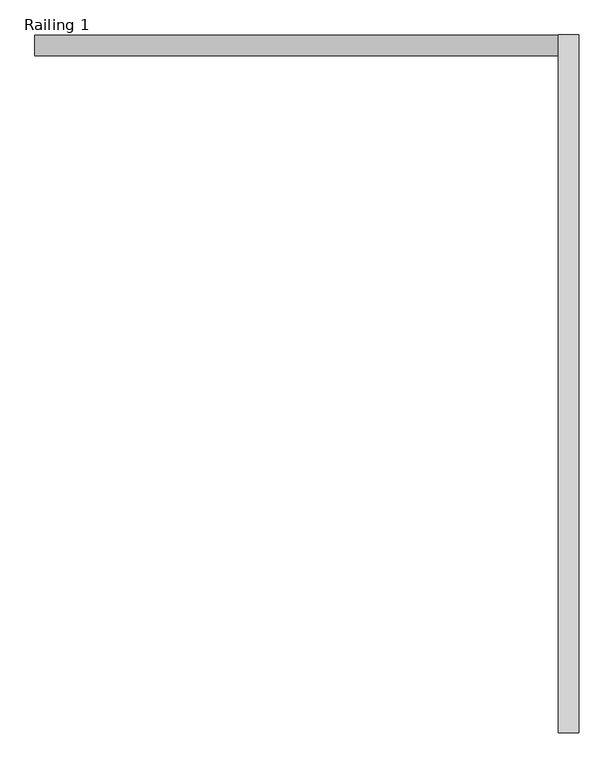
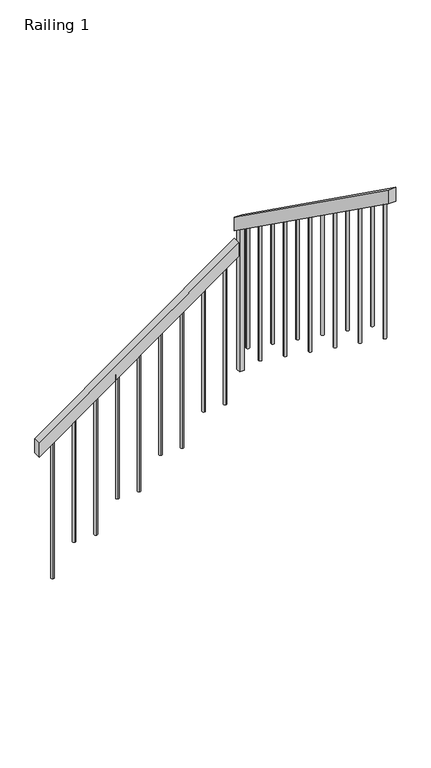
"""IFC4 building model written with IfcOpenShell, lengths in millimetres: railing geometry, Railing 1."""

from ifc_helpers import new_model, si_unit, frame, origin, place, context, project, spatial, polyline, circle_curve, ellipse_curve, outline, extrude, source, transform, mapped, element, save
from ifc_brep_helpers import plane_surface, cylinder_surface, advanced_brep


def railing_1_fb4148f3(model_context):
    return source(origin(), model_context, "Body", "SolidModel", [
        extrude(outline(polyline([(-1428.5714286, 4155.1809005), (-1522.2138836, 4155.1809005), (-597.4995979, 5449.7809005), (-503.8571429, 5449.7809005), (-1428.5714286, 4155.1809005)])), frame((0.0, 942.7591595, 0.0), z_axis=(0.0, 1.0, 0.0), x_axis=(0.0, 0.0, 1.0)), (0.0, 0.0, 1.0), 50.8),
        extrude(outline(polyline([(993.5591595, -361.0), (993.5591595, -454.642455), (-731.8408405, 777.7861164), (-731.8408405, 871.4285714), (993.5591595, -361.0)])), frame((5449.7809005, 0.0, 0.0), z_axis=(1.0, 0.0, 0.0), x_axis=(0.0, 1.0, 0.0)), (0.0, 0.0, 1.0), 50.8),
        advanced_brep(
        [(5465.1809005, -651.8408405, 720.6432592), (5465.1809005, -651.8408405, -200.0), (5485.1809005, -651.8408405, -200.0), (5485.1809005, -651.8408405, 720.6432592)],
        [
            (0, 1),
            (1, 2, circle_curve(frame((5475.1809005, -651.8408405, -200.0), z_axis=(0.0, 0.0, 1.0), x_axis=(1.0, 0.0, 0.0)), 10.0)),
            (2, 3),
            (3, 0, ellipse_curve(frame((5475.1809005, -651.8408405, 720.6432592), z_axis=(0.0, -0.5812381937190966, -0.813733471206735), x_axis=(0.0, -0.813733471206735, 0.5812381937190962)), 12.2890361, 10.0)),
            (0, 3, ellipse_curve(frame((5475.1809005, -651.8408405, 720.6432592), z_axis=(0.0, -0.5812381937190966, -0.813733471206735), x_axis=(0.0, -0.813733471206735, 0.5812381937190962)), 12.2890361, 10.0)),
            (2, 1, circle_curve(frame((5475.1809005, -651.8408405, -200.0), z_axis=(0.0, 0.0, 1.0), x_axis=(1.0, 0.0, 0.0)), 10.0)),
        ],
        [
            cylinder_surface(frame((5475.1809005, -651.8408405, -300.0), z_axis=(0.0, 0.0, 1.0), x_axis=(1.0, 0.0, 0.0)), 10.0),
            plane_surface(frame((5495.1809005, -671.8408405, 734.9289735), z_axis=(0.0, 0.5812381937190966, 0.813733471206735), x_axis=(-1.0, 0.0, 0.0))),
            plane_surface(frame((5495.1809005, -631.8408405, -200.0), z_axis=(0.0, 0.0, -1.0), x_axis=(-1.0, 0.0, 0.0))),
        ],
        [
            (0, [[1, 2, 3, 4]]),
            (0, [[-1, 5, -3, 6]]),
            (1, [[-4, -5]]),
            (2, [[-2, -6]]),
        ],
    ),
        advanced_brep(
        [(5465.1809005, -511.8408405, 620.6432592), (5465.1809005, -511.8408405, -200.0), (5485.1809005, -511.8408405, -200.0), (5485.1809005, -511.8408405, 620.6432592)],
        [
            (0, 1),
            (1, 2, circle_curve(frame((5475.1809005, -511.8408405, -200.0), z_axis=(0.0, 0.0, 1.0), x_axis=(1.0, 0.0, 0.0)), 10.0)),
            (2, 3),
            (3, 0, ellipse_curve(frame((5475.1809005, -511.8408405, 620.6432592), z_axis=(0.0, -0.5812381937190966, -0.813733471206735), x_axis=(0.0, -0.813733471206735, 0.5812381937190962)), 12.2890361, 10.0)),
            (0, 3, ellipse_curve(frame((5475.1809005, -511.8408405, 620.6432592), z_axis=(0.0, -0.5812381937190966, -0.813733471206735), x_axis=(0.0, -0.813733471206735, 0.5812381937190962)), 12.2890361, 10.0)),
            (2, 1, circle_curve(frame((5475.1809005, -511.8408405, -200.0), z_axis=(0.0, 0.0, 1.0), x_axis=(1.0, 0.0, 0.0)), 10.0)),
        ],
        [
            cylinder_surface(frame((5475.1809005, -511.8408405, -300.0), z_axis=(0.0, 0.0, 1.0), x_axis=(1.0, 0.0, 0.0)), 10.0),
            plane_surface(frame((5495.1809005, -531.8408405, 634.9289735), z_axis=(0.0, 0.5812381937190966, 0.813733471206735), x_axis=(-1.0, 0.0, 0.0))),
            plane_surface(frame((5495.1809005, -491.8408405, -200.0), z_axis=(0.0, 0.0, -1.0), x_axis=(-1.0, 0.0, 0.0))),
        ],
        [
            (0, [[1, 2, 3, 4]]),
            (0, [[-1, 5, -3, 6]]),
            (1, [[-4, -5]]),
            (2, [[-2, -6]]),
        ],
    ),
        advanced_brep(
        [(5465.1809005, -371.8408405, 520.6432592), (5465.1809005, -371.8408405, -400.0), (5485.1809005, -371.8408405, -400.0), (5485.1809005, -371.8408405, 520.6432592)],
        [
            (0, 1),
            (1, 2, circle_curve(frame((5475.1809005, -371.8408405, -400.0), z_axis=(0.0, 0.0, 1.0), x_axis=(1.0, 0.0, 0.0)), 10.0)),
            (2, 3),
            (3, 0, ellipse_curve(frame((5475.1809005, -371.8408405, 520.6432592), z_axis=(0.0, -0.5812381937190966, -0.813733471206735), x_axis=(0.0, -0.813733471206735, 0.5812381937190962)), 12.2890361, 10.0)),
            (0, 3, ellipse_curve(frame((5475.1809005, -371.8408405, 520.6432592), z_axis=(0.0, -0.5812381937190966, -0.813733471206735), x_axis=(0.0, -0.813733471206735, 0.5812381937190962)), 12.2890361, 10.0)),
            (2, 1, circle_curve(frame((5475.1809005, -371.8408405, -400.0), z_axis=(0.0, 0.0, 1.0), x_axis=(1.0, 0.0, 0.0)), 10.0)),
        ],
        [
            cylinder_surface(frame((5475.1809005, -371.8408405, -500.0), z_axis=(0.0, 0.0, 1.0), x_axis=(1.0, 0.0, 0.0)), 10.0),
            plane_surface(frame((5495.1809005, -391.8408405, 534.9289735), z_axis=(0.0, 0.5812381937190966, 0.813733471206735), x_axis=(-1.0, 0.0, 0.0))),
            plane_surface(frame((5495.1809005, -351.8408405, -400.0), z_axis=(0.0, 0.0, -1.0), x_axis=(-1.0, 0.0, 0.0))),
        ],
        [
            (0, [[1, 2, 3, 4]]),
            (0, [[-1, 5, -3, 6]]),
            (1, [[-4, -5]]),
            (2, [[-2, -6]]),
        ],
    ),
        advanced_brep(
        [(5465.1809005, -231.8408405, 420.6432592), (5465.1809005, -231.8408405, -400.0), (5485.1809005, -231.8408405, -400.0), (5485.1809005, -231.8408405, 420.6432592)],
        [
            (0, 1),
            (1, 2, circle_curve(frame((5475.1809005, -231.8408405, -400.0), z_axis=(0.0, 0.0, 1.0), x_axis=(1.0, 0.0, 0.0)), 10.0)),
            (2, 3),
            (3, 0, ellipse_curve(frame((5475.1809005, -231.8408405, 420.6432592), z_axis=(0.0, -0.5812381937190966, -0.813733471206735), x_axis=(0.0, -0.813733471206735, 0.5812381937190962)), 12.2890361, 10.0)),
            (0, 3, ellipse_curve(frame((5475.1809005, -231.8408405, 420.6432592), z_axis=(0.0, -0.5812381937190966, -0.813733471206735), x_axis=(0.0, -0.813733471206735, 0.5812381937190962)), 12.2890361, 10.0)),
            (2, 1, circle_curve(frame((5475.1809005, -231.8408405, -400.0), z_axis=(0.0, 0.0, 1.0), x_axis=(1.0, 0.0, 0.0)), 10.0)),
        ],
        [
            cylinder_surface(frame((5475.1809005, -231.8408405, -500.0), z_axis=(0.0, 0.0, 1.0), x_axis=(1.0, 0.0, 0.0)), 10.0),
            plane_surface(frame((5495.1809005, -251.8408405, 434.9289735), z_axis=(0.0, 0.5812381937190966, 0.813733471206735), x_axis=(-1.0, 0.0, 0.0))),
            plane_surface(frame((5495.1809005, -211.8408405, -400.0), z_axis=(0.0, 0.0, -1.0), x_axis=(-1.0, 0.0, 0.0))),
        ],
        [
            (0, [[1, 2, 3, 4]]),
            (0, [[-1, 5, -3, 6]]),
            (1, [[-4, -5]]),
            (2, [[-2, -6]]),
        ],
    ),
        advanced_brep(
        [(5465.1809005, -91.8408405, 320.6432592), (5465.1809005, -91.8408405, -600.0), (5485.1809005, -91.8408405, -600.0), (5485.1809005, -91.8408405, 320.6432592)],
        [
            (0, 1),
            (1, 2, circle_curve(frame((5475.1809005, -91.8408405, -600.0), z_axis=(0.0, 0.0, 1.0), x_axis=(1.0, 0.0, 0.0)), 10.0)),
            (2, 3),
            (3, 0, ellipse_curve(frame((5475.1809005, -91.8408405, 320.6432592), z_axis=(0.0, -0.5812381937190966, -0.813733471206735), x_axis=(0.0, -0.813733471206735, 0.5812381937190962)), 12.2890361, 10.0)),
            (0, 3, ellipse_curve(frame((5475.1809005, -91.8408405, 320.6432592), z_axis=(0.0, -0.5812381937190966, -0.813733471206735), x_axis=(0.0, -0.813733471206735, 0.5812381937190962)), 12.2890361, 10.0)),
            (2, 1, circle_curve(frame((5475.1809005, -91.8408405, -600.0), z_axis=(0.0, 0.0, 1.0), x_axis=(1.0, 0.0, 0.0)), 10.0)),
        ],
        [
            cylinder_surface(frame((5475.1809005, -91.8408405, -700.0), z_axis=(0.0, 0.0, 1.0), x_axis=(1.0, 0.0, 0.0)), 10.0),
            plane_surface(frame((5495.1809005, -111.8408405, 334.9289735), z_axis=(0.0, 0.5812381937190966, 0.813733471206735), x_axis=(-1.0, 0.0, 0.0))),
            plane_surface(frame((5495.1809005, -71.8408405, -600.0), z_axis=(0.0, 0.0, -1.0), x_axis=(-1.0, 0.0, 0.0))),
        ],
        [
            (0, [[1, 2, 3, 4]]),
            (0, [[-1, 5, -3, 6]]),
            (1, [[-4, -5]]),
            (2, [[-2, -6]]),
        ],
    ),
        advanced_brep(
        [(5465.1809005, 48.1591595, 220.6432592), (5465.1809005, 48.1591595, -600.0), (5485.1809005, 48.1591595, -600.0), (5485.1809005, 48.1591595, 220.6432592)],
        [
            (0, 1),
            (1, 2, circle_curve(frame((5475.1809005, 48.1591595, -600.0), z_axis=(0.0, 0.0, 1.0), x_axis=(1.0, 0.0, 0.0)), 10.0)),
            (2, 3),
            (3, 0, ellipse_curve(frame((5475.1809005, 48.1591595, 220.6432592), z_axis=(0.0, -0.5812381937190966, -0.813733471206735), x_axis=(0.0, -0.813733471206735, 0.5812381937190962)), 12.2890361, 10.0)),
            (0, 3, ellipse_curve(frame((5475.1809005, 48.1591595, 220.6432592), z_axis=(0.0, -0.5812381937190966, -0.813733471206735), x_axis=(0.0, -0.813733471206735, 0.5812381937190962)), 12.2890361, 10.0)),
            (2, 1, circle_curve(frame((5475.1809005, 48.1591595, -600.0), z_axis=(0.0, 0.0, 1.0), x_axis=(1.0, 0.0, 0.0)), 10.0)),
        ],
        [
            cylinder_surface(frame((5475.1809005, 48.1591595, -700.0), z_axis=(0.0, 0.0, 1.0), x_axis=(1.0, 0.0, 0.0)), 10.0),
            plane_surface(frame((5495.1809005, 28.1591595, 234.9289735), z_axis=(0.0, 0.5812381937190966, 0.813733471206735), x_axis=(-1.0, 0.0, 0.0))),
            plane_surface(frame((5495.1809005, 68.1591595, -600.0), z_axis=(0.0, 0.0, -1.0), x_axis=(-1.0, 0.0, 0.0))),
        ],
        [
            (0, [[1, 2, 3, 4]]),
            (0, [[-1, 5, -3, 6]]),
            (1, [[-4, -5]]),
            (2, [[-2, -6]]),
        ],
    ),
        advanced_brep(
        [(5465.1809005, 188.1591595, 120.6432592), (5465.1809005, 188.1591595, -800.0), (5485.1809005, 188.1591595, -800.0), (5485.1809005, 188.1591595, 120.6432592)],
        [
            (0, 1),
            (1, 2, circle_curve(frame((5475.1809005, 188.1591595, -800.0), z_axis=(0.0, 0.0, 1.0), x_axis=(1.0, 0.0, 0.0)), 10.0)),
            (2, 3),
            (3, 0, ellipse_curve(frame((5475.1809005, 188.1591595, 120.6432592), z_axis=(0.0, -0.5812381937190966, -0.813733471206735), x_axis=(0.0, -0.813733471206735, 0.5812381937190962)), 12.2890361, 10.0)),
            (0, 3, ellipse_curve(frame((5475.1809005, 188.1591595, 120.6432592), z_axis=(0.0, -0.5812381937190966, -0.813733471206735), x_axis=(0.0, -0.813733471206735, 0.5812381937190962)), 12.2890361, 10.0)),
            (2, 1, circle_curve(frame((5475.1809005, 188.1591595, -800.0), z_axis=(0.0, 0.0, 1.0), x_axis=(1.0, 0.0, 0.0)), 10.0)),
        ],
        [
            cylinder_surface(frame((5475.1809005, 188.1591595, -900.0), z_axis=(0.0, 0.0, 1.0), x_axis=(1.0, 0.0, 0.0)), 10.0),
            plane_surface(frame((5495.1809005, 168.1591595, 134.9289735), z_axis=(0.0, 0.5812381937190966, 0.813733471206735), x_axis=(-1.0, 0.0, 0.0))),
            plane_surface(frame((5495.1809005, 208.1591595, -800.0), z_axis=(0.0, 0.0, -1.0), x_axis=(-1.0, 0.0, 0.0))),
        ],
        [
            (0, [[1, 2, 3, 4]]),
            (0, [[-1, 5, -3, 6]]),
            (1, [[-4, -5]]),
            (2, [[-2, -6]]),
        ],
    ),
        advanced_brep(
        [(5465.1809005, 328.1591595, 20.6432592), (5465.1809005, 328.1591595, -800.0), (5485.1809005, 328.1591595, -800.0), (5485.1809005, 328.1591595, 20.6432592)],
        [
            (0, 1),
            (1, 2, circle_curve(frame((5475.1809005, 328.1591595, -800.0), z_axis=(0.0, 0.0, 1.0), x_axis=(1.0, 0.0, 0.0)), 10.0)),
            (2, 3),
            (3, 0, ellipse_curve(frame((5475.1809005, 328.1591595, 20.6432592), z_axis=(0.0, -0.5812381937190966, -0.813733471206735), x_axis=(0.0, -0.813733471206735, 0.5812381937190962)), 12.2890361, 10.0)),
            (0, 3, ellipse_curve(frame((5475.1809005, 328.1591595, 20.6432592), z_axis=(0.0, -0.5812381937190966, -0.813733471206735), x_axis=(0.0, -0.813733471206735, 0.5812381937190962)), 12.2890361, 10.0)),
            (2, 1, circle_curve(frame((5475.1809005, 328.1591595, -800.0), z_axis=(0.0, 0.0, 1.0), x_axis=(1.0, 0.0, 0.0)), 10.0)),
        ],
        [
            cylinder_surface(frame((5475.1809005, 328.1591595, -900.0), z_axis=(0.0, 0.0, 1.0), x_axis=(1.0, 0.0, 0.0)), 10.0),
            plane_surface(frame((5495.1809005, 308.1591595, 34.9289735), z_axis=(0.0, 0.5812381937190966, 0.813733471206735), x_axis=(-1.0, 0.0, 0.0))),
            plane_surface(frame((5495.1809005, 348.1591595, -800.0), z_axis=(0.0, 0.0, -1.0), x_axis=(-1.0, 0.0, 0.0))),
        ],
        [
            (0, [[1, 2, 3, 4]]),
            (0, [[-1, 5, -3, 6]]),
            (1, [[-4, -5]]),
            (2, [[-2, -6]]),
        ],
    ),
        advanced_brep(
        [(5465.1809005, 468.1591595, -79.3567408), (5465.1809005, 468.1591595, -1000.0), (5485.1809005, 468.1591595, -1000.0), (5485.1809005, 468.1591595, -79.3567408)],
        [
            (0, 1),
            (1, 2, circle_curve(frame((5475.1809005, 468.1591595, -1000.0), z_axis=(0.0, 0.0, 1.0), x_axis=(1.0, 0.0, 0.0)), 10.0)),
            (2, 3),
            (3, 0, ellipse_curve(frame((5475.1809005, 468.1591595, -79.3567408), z_axis=(0.0, -0.5812381937190966, -0.813733471206735), x_axis=(0.0, -0.813733471206735, 0.5812381937190962)), 12.2890361, 10.0)),
            (0, 3, ellipse_curve(frame((5475.1809005, 468.1591595, -79.3567408), z_axis=(0.0, -0.5812381937190966, -0.813733471206735), x_axis=(0.0, -0.813733471206735, 0.5812381937190962)), 12.2890361, 10.0)),
            (2, 1, circle_curve(frame((5475.1809005, 468.1591595, -1000.0), z_axis=(0.0, 0.0, 1.0), x_axis=(1.0, 0.0, 0.0)), 10.0)),
        ],
        [
            cylinder_surface(frame((5475.1809005, 468.1591595, -1100.0), z_axis=(0.0, 0.0, 1.0), x_axis=(1.0, 0.0, 0.0)), 10.0),
            plane_surface(frame((5495.1809005, 448.1591595, -65.0710265), z_axis=(0.0, 0.5812381937190966, 0.813733471206735), x_axis=(-1.0, 0.0, 0.0))),
            plane_surface(frame((5495.1809005, 488.1591595, -1000.0), z_axis=(0.0, 0.0, -1.0), x_axis=(-1.0, 0.0, 0.0))),
        ],
        [
            (0, [[1, 2, 3, 4]]),
            (0, [[-1, 5, -3, 6]]),
            (1, [[-4, -5]]),
            (2, [[-2, -6]]),
        ],
    ),
        advanced_brep(
        [(5465.1809005, 608.1591595, -179.3567408), (5465.1809005, 608.1591595, -1000.0), (5485.1809005, 608.1591595, -1000.0), (5485.1809005, 608.1591595, -179.3567408)],
        [
            (0, 1),
            (1, 2, circle_curve(frame((5475.1809005, 608.1591595, -1000.0), z_axis=(0.0, 0.0, 1.0), x_axis=(1.0, 0.0, 0.0)), 10.0)),
            (2, 3),
            (3, 0, ellipse_curve(frame((5475.1809005, 608.1591595, -179.3567408), z_axis=(0.0, -0.5812381937190966, -0.813733471206735), x_axis=(0.0, -0.813733471206735, 0.5812381937190962)), 12.2890361, 10.0)),
            (0, 3, ellipse_curve(frame((5475.1809005, 608.1591595, -179.3567408), z_axis=(0.0, -0.5812381937190966, -0.813733471206735), x_axis=(0.0, -0.813733471206735, 0.5812381937190962)), 12.2890361, 10.0)),
            (2, 1, circle_curve(frame((5475.1809005, 608.1591595, -1000.0), z_axis=(0.0, 0.0, 1.0), x_axis=(1.0, 0.0, 0.0)), 10.0)),
        ],
        [
            cylinder_surface(frame((5475.1809005, 608.1591595, -1100.0), z_axis=(0.0, 0.0, 1.0), x_axis=(1.0, 0.0, 0.0)), 10.0),
            plane_surface(frame((5495.1809005, 588.1591595, -165.0710265), z_axis=(0.0, 0.5812381937190966, 0.813733471206735), x_axis=(-1.0, 0.0, 0.0))),
            plane_surface(frame((5495.1809005, 628.1591595, -1000.0), z_axis=(0.0, 0.0, -1.0), x_axis=(-1.0, 0.0, 0.0))),
        ],
        [
            (0, [[1, 2, 3, 4]]),
            (0, [[-1, 5, -3, 6]]),
            (1, [[-4, -5]]),
            (2, [[-2, -6]]),
        ],
    ),
        advanced_brep(
        [(5465.1809005, 748.1591595, -279.3567408), (5465.1809005, 748.1591595, -1200.0), (5485.1809005, 748.1591595, -1200.0), (5485.1809005, 748.1591595, -279.3567408)],
        [
            (0, 1),
            (1, 2, circle_curve(frame((5475.1809005, 748.1591595, -1200.0), z_axis=(0.0, 0.0, 1.0), x_axis=(1.0, 0.0, 0.0)), 10.0)),
            (2, 3),
            (3, 0, ellipse_curve(frame((5475.1809005, 748.1591595, -279.3567408), z_axis=(0.0, -0.5812381937190966, -0.813733471206735), x_axis=(0.0, -0.813733471206735, 0.5812381937190962)), 12.2890361, 10.0)),
            (0, 3, ellipse_curve(frame((5475.1809005, 748.1591595, -279.3567408), z_axis=(0.0, -0.5812381937190966, -0.813733471206735), x_axis=(0.0, -0.813733471206735, 0.5812381937190962)), 12.2890361, 10.0)),
            (2, 1, circle_curve(frame((5475.1809005, 748.1591595, -1200.0), z_axis=(0.0, 0.0, 1.0), x_axis=(1.0, 0.0, 0.0)), 10.0)),
        ],
        [
            cylinder_surface(frame((5475.1809005, 748.1591595, -1300.0), z_axis=(0.0, 0.0, 1.0), x_axis=(1.0, 0.0, 0.0)), 10.0),
            plane_surface(frame((5495.1809005, 728.1591595, -265.0710265), z_axis=(0.0, 0.5812381937190966, 0.813733471206735), x_axis=(-1.0, 0.0, 0.0))),
            plane_surface(frame((5495.1809005, 768.1591595, -1200.0), z_axis=(0.0, 0.0, -1.0), x_axis=(-1.0, 0.0, 0.0))),
        ],
        [
            (0, [[1, 2, 3, 4]]),
            (0, [[-1, 5, -3, 6]]),
            (1, [[-4, -5]]),
            (2, [[-2, -6]]),
        ],
    ),
        advanced_brep(
        [(5465.1809005, 888.1591595, -379.3567408), (5465.1809005, 888.1591595, -1200.0), (5485.1809005, 888.1591595, -1200.0), (5485.1809005, 888.1591595, -379.3567408)],
        [
            (0, 1),
            (1, 2, circle_curve(frame((5475.1809005, 888.1591595, -1200.0), z_axis=(0.0, 0.0, 1.0), x_axis=(1.0, 0.0, 0.0)), 10.0)),
            (2, 3),
            (3, 0, ellipse_curve(frame((5475.1809005, 888.1591595, -379.3567408), z_axis=(0.0, -0.5812381937190966, -0.813733471206735), x_axis=(0.0, -0.813733471206735, 0.5812381937190962)), 12.2890361, 10.0)),
            (0, 3, ellipse_curve(frame((5475.1809005, 888.1591595, -379.3567408), z_axis=(0.0, -0.5812381937190966, -0.813733471206735), x_axis=(0.0, -0.813733471206735, 0.5812381937190962)), 12.2890361, 10.0)),
            (2, 1, circle_curve(frame((5475.1809005, 888.1591595, -1200.0), z_axis=(0.0, 0.0, 1.0), x_axis=(1.0, 0.0, 0.0)), 10.0)),
        ],
        [
            cylinder_surface(frame((5475.1809005, 888.1591595, -1300.0), z_axis=(0.0, 0.0, 1.0), x_axis=(1.0, 0.0, 0.0)), 10.0),
            plane_surface(frame((5495.1809005, 868.1591595, -365.0710265), z_axis=(0.0, 0.5812381937190966, 0.813733471206735), x_axis=(-1.0, 0.0, 0.0))),
            plane_surface(frame((5495.1809005, 908.1591595, -1200.0), z_axis=(0.0, 0.0, -1.0), x_axis=(-1.0, 0.0, 0.0))),
        ],
        [
            (0, [[1, 2, 3, 4]]),
            (0, [[-1, 5, -3, 6]]),
            (1, [[-4, -5]]),
            (2, [[-2, -6]]),
        ],
    ),
        advanced_brep(
        [(5375.1809005, 958.1591595, -650.7853122), (5375.1809005, 958.1591595, -1600.0), (5375.1809005, 978.1591595, -1600.0), (5375.1809005, 978.1591595, -650.7853122)],
        [
            (0, 1),
            (1, 2, circle_curve(frame((5375.1809005, 968.1591595, -1600.0), z_axis=(0.0, 0.0, 1.0), x_axis=(0.0, 1.0, 0.0)), 10.0)),
            (2, 3),
            (3, 0, ellipse_curve(frame((5375.1809005, 968.1591595, -650.7853122), z_axis=(0.5812381937190966, 0.0, -0.813733471206735), x_axis=(0.813733471206735, 0.0, 0.5812381937190962)), 12.2890361, 10.0)),
            (0, 3, ellipse_curve(frame((5375.1809005, 968.1591595, -650.7853122), z_axis=(0.5812381937190966, 0.0, -0.813733471206735), x_axis=(0.813733471206735, 0.0, 0.5812381937190962)), 12.2890361, 10.0)),
            (2, 1, circle_curve(frame((5375.1809005, 968.1591595, -1600.0), z_axis=(0.0, 0.0, 1.0), x_axis=(0.0, 1.0, 0.0)), 10.0)),
        ],
        [
            cylinder_surface(frame((5375.1809005, 968.1591595, -1700.0), z_axis=(0.0, 0.0, 1.0), x_axis=(0.0, 1.0, 0.0)), 10.0),
            plane_surface(frame((5395.1809005, 988.1591595, -636.4995979), z_axis=(-0.5812381937190966, 0.0, 0.813733471206735), x_axis=(0.0, -1.0, 0.0))),
            plane_surface(frame((5355.1809005, 988.1591595, -1600.0), z_axis=(0.0, 0.0, -1.0), x_axis=(0.0, -1.0, 0.0))),
        ],
        [
            (0, [[1, 2, 3, 4]]),
            (0, [[-1, 5, -3, 6]]),
            (1, [[-4, -5]]),
            (2, [[-2, -6]]),
        ],
    ),
        advanced_brep(
        [(5235.1809005, 958.1591595, -750.7853122), (5235.1809005, 958.1591595, -1600.0), (5235.1809005, 978.1591595, -1600.0), (5235.1809005, 978.1591595, -750.7853122)],
        [
            (0, 1),
            (1, 2, circle_curve(frame((5235.1809005, 968.1591595, -1600.0), z_axis=(0.0, 0.0, 1.0), x_axis=(0.0, 1.0, 0.0)), 10.0)),
            (2, 3),
            (3, 0, ellipse_curve(frame((5235.1809005, 968.1591595, -750.7853122), z_axis=(0.5812381937190966, 0.0, -0.813733471206735), x_axis=(0.813733471206735, 0.0, 0.5812381937190962)), 12.2890361, 10.0)),
            (0, 3, ellipse_curve(frame((5235.1809005, 968.1591595, -750.7853122), z_axis=(0.5812381937190966, 0.0, -0.813733471206735), x_axis=(0.813733471206735, 0.0, 0.5812381937190962)), 12.2890361, 10.0)),
            (2, 1, circle_curve(frame((5235.1809005, 968.1591595, -1600.0), z_axis=(0.0, 0.0, 1.0), x_axis=(0.0, 1.0, 0.0)), 10.0)),
        ],
        [
            cylinder_surface(frame((5235.1809005, 968.1591595, -1700.0), z_axis=(0.0, 0.0, 1.0), x_axis=(0.0, 1.0, 0.0)), 10.0),
            plane_surface(frame((5255.1809005, 988.1591595, -736.4995979), z_axis=(-0.5812381937190966, 0.0, 0.813733471206735), x_axis=(0.0, -1.0, 0.0))),
            plane_surface(frame((5215.1809005, 988.1591595, -1600.0), z_axis=(0.0, 0.0, -1.0), x_axis=(0.0, -1.0, 0.0))),
        ],
        [
            (0, [[1, 2, 3, 4]]),
            (0, [[-1, 5, -3, 6]]),
            (1, [[-4, -5]]),
            (2, [[-2, -6]]),
        ],
    ),
        advanced_brep(
        [(5095.1809005, 958.1591595, -850.7853122), (5095.1809005, 958.1591595, -1800.0), (5095.1809005, 978.1591595, -1800.0), (5095.1809005, 978.1591595, -850.7853122)],
        [
            (0, 1),
            (1, 2, circle_curve(frame((5095.1809005, 968.1591595, -1800.0), z_axis=(0.0, 0.0, 1.0), x_axis=(0.0, 1.0, 0.0)), 10.0)),
            (2, 3),
            (3, 0, ellipse_curve(frame((5095.1809005, 968.1591595, -850.7853122), z_axis=(0.5812381937190966, 0.0, -0.813733471206735), x_axis=(0.813733471206735, 0.0, 0.5812381937190962)), 12.2890361, 10.0)),
            (0, 3, ellipse_curve(frame((5095.1809005, 968.1591595, -850.7853122), z_axis=(0.5812381937190966, 0.0, -0.813733471206735), x_axis=(0.813733471206735, 0.0, 0.5812381937190962)), 12.2890361, 10.0)),
            (2, 1, circle_curve(frame((5095.1809005, 968.1591595, -1800.0), z_axis=(0.0, 0.0, 1.0), x_axis=(0.0, 1.0, 0.0)), 10.0)),
        ],
        [
            cylinder_surface(frame((5095.1809005, 968.1591595, -1900.0), z_axis=(0.0, 0.0, 1.0), x_axis=(0.0, 1.0, 0.0)), 10.0),
            plane_surface(frame((5115.1809005, 988.1591595, -836.4995979), z_axis=(-0.5812381937190966, 0.0, 0.813733471206735), x_axis=(0.0, -1.0, 0.0))),
            plane_surface(frame((5075.1809005, 988.1591595, -1800.0), z_axis=(0.0, 0.0, -1.0), x_axis=(0.0, -1.0, 0.0))),
        ],
        [
            (0, [[1, 2, 3, 4]]),
            (0, [[-1, 5, -3, 6]]),
            (1, [[-4, -5]]),
            (2, [[-2, -6]]),
        ],
    ),
        advanced_brep(
        [(4955.1809005, 958.1591595, -950.7853122), (4955.1809005, 958.1591595, -1800.0), (4955.1809005, 978.1591595, -1800.0), (4955.1809005, 978.1591595, -950.7853122)],
        [
            (0, 1),
            (1, 2, circle_curve(frame((4955.1809005, 968.1591595, -1800.0), z_axis=(0.0, 0.0, 1.0), x_axis=(0.0, 1.0, 0.0)), 10.0)),
            (2, 3),
            (3, 0, ellipse_curve(frame((4955.1809005, 968.1591595, -950.7853122), z_axis=(0.5812381937190966, 0.0, -0.813733471206735), x_axis=(0.813733471206735, 0.0, 0.5812381937190962)), 12.2890361, 10.0)),
            (0, 3, ellipse_curve(frame((4955.1809005, 968.1591595, -950.7853122), z_axis=(0.5812381937190966, 0.0, -0.813733471206735), x_axis=(0.813733471206735, 0.0, 0.5812381937190962)), 12.2890361, 10.0)),
            (2, 1, circle_curve(frame((4955.1809005, 968.1591595, -1800.0), z_axis=(0.0, 0.0, 1.0), x_axis=(0.0, 1.0, 0.0)), 10.0)),
        ],
        [
            cylinder_surface(frame((4955.1809005, 968.1591595, -1900.0), z_axis=(0.0, 0.0, 1.0), x_axis=(0.0, 1.0, 0.0)), 10.0),
            plane_surface(frame((4975.1809005, 988.1591595, -936.4995979), z_axis=(-0.5812381937190966, 0.0, 0.813733471206735), x_axis=(0.0, -1.0, 0.0))),
            plane_surface(frame((4935.1809005, 988.1591595, -1800.0), z_axis=(0.0, 0.0, -1.0), x_axis=(0.0, -1.0, 0.0))),
        ],
        [
            (0, [[1, 2, 3, 4]]),
            (0, [[-1, 5, -3, 6]]),
            (1, [[-4, -5]]),
            (2, [[-2, -6]]),
        ],
    ),
        advanced_brep(
        [(4815.1809005, 958.1591595, -1050.7853122), (4815.1809005, 958.1591595, -2000.0), (4815.1809005, 978.1591595, -2000.0), (4815.1809005, 978.1591595, -1050.7853122)],
        [
            (0, 1),
            (1, 2, circle_curve(frame((4815.1809005, 968.1591595, -2000.0), z_axis=(0.0, 0.0, 1.0), x_axis=(0.0, 1.0, 0.0)), 10.0)),
            (2, 3),
            (3, 0, ellipse_curve(frame((4815.1809005, 968.1591595, -1050.7853122), z_axis=(0.5812381937190966, 0.0, -0.813733471206735), x_axis=(0.813733471206735, 0.0, 0.5812381937190962)), 12.2890361, 10.0)),
            (0, 3, ellipse_curve(frame((4815.1809005, 968.1591595, -1050.7853122), z_axis=(0.5812381937190966, 0.0, -0.813733471206735), x_axis=(0.813733471206735, 0.0, 0.5812381937190962)), 12.2890361, 10.0)),
            (2, 1, circle_curve(frame((4815.1809005, 968.1591595, -2000.0), z_axis=(0.0, 0.0, 1.0), x_axis=(0.0, 1.0, 0.0)), 10.0)),
        ],
        [
            cylinder_surface(frame((4815.1809005, 968.1591595, -2100.0), z_axis=(0.0, 0.0, 1.0), x_axis=(0.0, 1.0, 0.0)), 10.0),
            plane_surface(frame((4835.1809005, 988.1591595, -1036.4995979), z_axis=(-0.5812381937190966, 0.0, 0.813733471206735), x_axis=(0.0, -1.0, 0.0))),
            plane_surface(frame((4795.1809005, 988.1591595, -2000.0), z_axis=(0.0, 0.0, -1.0), x_axis=(0.0, -1.0, 0.0))),
        ],
        [
            (0, [[1, 2, 3, 4]]),
            (0, [[-1, 5, -3, 6]]),
            (1, [[-4, -5]]),
            (2, [[-2, -6]]),
        ],
    ),
        advanced_brep(
        [(4675.1809005, 958.1591595, -1150.7853122), (4675.1809005, 958.1591595, -2000.0), (4675.1809005, 978.1591595, -2000.0), (4675.1809005, 978.1591595, -1150.7853122)],
        [
            (0, 1),
            (1, 2, circle_curve(frame((4675.1809005, 968.1591595, -2000.0), z_axis=(0.0, 0.0, 1.0), x_axis=(0.0, 1.0, 0.0)), 10.0)),
            (2, 3),
            (3, 0, ellipse_curve(frame((4675.1809005, 968.1591595, -1150.7853122), z_axis=(0.5812381937190966, 0.0, -0.813733471206735), x_axis=(0.813733471206735, 0.0, 0.5812381937190962)), 12.2890361, 10.0)),
            (0, 3, ellipse_curve(frame((4675.1809005, 968.1591595, -1150.7853122), z_axis=(0.5812381937190966, 0.0, -0.813733471206735), x_axis=(0.813733471206735, 0.0, 0.5812381937190962)), 12.2890361, 10.0)),
            (2, 1, circle_curve(frame((4675.1809005, 968.1591595, -2000.0), z_axis=(0.0, 0.0, 1.0), x_axis=(0.0, 1.0, 0.0)), 10.0)),
        ],
        [
            cylinder_surface(frame((4675.1809005, 968.1591595, -2100.0), z_axis=(0.0, 0.0, 1.0), x_axis=(0.0, 1.0, 0.0)), 10.0),
            plane_surface(frame((4695.1809005, 988.1591595, -1136.4995979), z_axis=(-0.5812381937190966, 0.0, 0.813733471206735), x_axis=(0.0, -1.0, 0.0))),
            plane_surface(frame((4655.1809005, 988.1591595, -2000.0), z_axis=(0.0, 0.0, -1.0), x_axis=(0.0, -1.0, 0.0))),
        ],
        [
            (0, [[1, 2, 3, 4]]),
            (0, [[-1, 5, -3, 6]]),
            (1, [[-4, -5]]),
            (2, [[-2, -6]]),
        ],
    ),
        advanced_brep(
        [(4535.1809005, 958.1591595, -1250.7853122), (4535.1809005, 958.1591595, -2200.0), (4535.1809005, 978.1591595, -2200.0), (4535.1809005, 978.1591595, -1250.7853122)],
        [
            (0, 1),
            (1, 2, circle_curve(frame((4535.1809005, 968.1591595, -2200.0), z_axis=(0.0, 0.0, 1.0), x_axis=(0.0, 1.0, 0.0)), 10.0)),
            (2, 3),
            (3, 0, ellipse_curve(frame((4535.1809005, 968.1591595, -1250.7853122), z_axis=(0.5812381937190966, 0.0, -0.813733471206735), x_axis=(0.813733471206735, 0.0, 0.5812381937190962)), 12.2890361, 10.0)),
            (0, 3, ellipse_curve(frame((4535.1809005, 968.1591595, -1250.7853122), z_axis=(0.5812381937190966, 0.0, -0.813733471206735), x_axis=(0.813733471206735, 0.0, 0.5812381937190962)), 12.2890361, 10.0)),
            (2, 1, circle_curve(frame((4535.1809005, 968.1591595, -2200.0), z_axis=(0.0, 0.0, 1.0), x_axis=(0.0, 1.0, 0.0)), 10.0)),
        ],
        [
            cylinder_surface(frame((4535.1809005, 968.1591595, -2300.0), z_axis=(0.0, 0.0, 1.0), x_axis=(0.0, 1.0, 0.0)), 10.0),
            plane_surface(frame((4555.1809005, 988.1591595, -1236.4995979), z_axis=(-0.5812381937190966, 0.0, 0.813733471206735), x_axis=(0.0, -1.0, 0.0))),
            plane_surface(frame((4515.1809005, 988.1591595, -2200.0), z_axis=(0.0, 0.0, -1.0), x_axis=(0.0, -1.0, 0.0))),
        ],
        [
            (0, [[1, 2, 3, 4]]),
            (0, [[-1, 5, -3, 6]]),
            (1, [[-4, -5]]),
            (2, [[-2, -6]]),
        ],
    ),
        advanced_brep(
        [(4395.1809005, 958.1591595, -1350.7853122), (4395.1809005, 958.1591595, -2200.0), (4395.1809005, 978.1591595, -2200.0), (4395.1809005, 978.1591595, -1350.7853122)],
        [
            (0, 1),
            (1, 2, circle_curve(frame((4395.1809005, 968.1591595, -2200.0), z_axis=(0.0, 0.0, 1.0), x_axis=(0.0, 1.0, 0.0)), 10.0)),
            (2, 3),
            (3, 0, ellipse_curve(frame((4395.1809005, 968.1591595, -1350.7853122), z_axis=(0.5812381937190966, 0.0, -0.813733471206735), x_axis=(0.813733471206735, 0.0, 0.5812381937190962)), 12.2890361, 10.0)),
            (0, 3, ellipse_curve(frame((4395.1809005, 968.1591595, -1350.7853122), z_axis=(0.5812381937190966, 0.0, -0.813733471206735), x_axis=(0.813733471206735, 0.0, 0.5812381937190962)), 12.2890361, 10.0)),
            (2, 1, circle_curve(frame((4395.1809005, 968.1591595, -2200.0), z_axis=(0.0, 0.0, 1.0), x_axis=(0.0, 1.0, 0.0)), 10.0)),
        ],
        [
            cylinder_surface(frame((4395.1809005, 968.1591595, -2300.0), z_axis=(0.0, 0.0, 1.0), x_axis=(0.0, 1.0, 0.0)), 10.0),
            plane_surface(frame((4415.1809005, 988.1591595, -1336.4995979), z_axis=(-0.5812381937190966, 0.0, 0.813733471206735), x_axis=(0.0, -1.0, 0.0))),
            plane_surface(frame((4375.1809005, 988.1591595, -2200.0), z_axis=(0.0, 0.0, -1.0), x_axis=(0.0, -1.0, 0.0))),
        ],
        [
            (0, [[1, 2, 3, 4]]),
            (0, [[-1, 5, -3, 6]]),
            (1, [[-4, -5]]),
            (2, [[-2, -6]]),
        ],
    ),
        advanced_brep(
        [(4255.1809005, 958.1591595, -1450.7853122), (4255.1809005, 958.1591595, -2400.0), (4255.1809005, 978.1591595, -2400.0), (4255.1809005, 978.1591595, -1450.7853122)],
        [
            (0, 1),
            (1, 2, circle_curve(frame((4255.1809005, 968.1591595, -2400.0), z_axis=(0.0, 0.0, 1.0), x_axis=(0.0, 1.0, 0.0)), 10.0)),
            (2, 3),
            (3, 0, ellipse_curve(frame((4255.1809005, 968.1591595, -1450.7853122), z_axis=(0.5812381937190966, 0.0, -0.813733471206735), x_axis=(0.813733471206735, 0.0, 0.5812381937190962)), 12.2890361, 10.0)),
            (0, 3, ellipse_curve(frame((4255.1809005, 968.1591595, -1450.7853122), z_axis=(0.5812381937190966, 0.0, -0.813733471206735), x_axis=(0.813733471206735, 0.0, 0.5812381937190962)), 12.2890361, 10.0)),
            (2, 1, circle_curve(frame((4255.1809005, 968.1591595, -2400.0), z_axis=(0.0, 0.0, 1.0), x_axis=(0.0, 1.0, 0.0)), 10.0)),
        ],
        [
            cylinder_surface(frame((4255.1809005, 968.1591595, -2500.0), z_axis=(0.0, 0.0, 1.0), x_axis=(0.0, 1.0, 0.0)), 10.0),
            plane_surface(frame((4275.1809005, 988.1591595, -1436.4995979), z_axis=(-0.5812381937190966, 0.0, 0.813733471206735), x_axis=(0.0, -1.0, 0.0))),
            plane_surface(frame((4235.1809005, 988.1591595, -2400.0), z_axis=(0.0, 0.0, -1.0), x_axis=(0.0, -1.0, 0.0))),
        ],
        [
            (0, [[1, 2, 3, 4]]),
            (0, [[-1, 5, -3, 6]]),
            (1, [[-4, -5]]),
            (2, [[-2, -6]]),
        ],
    ),
        extrude(outline(polyline([(5490.1809005, 983.1591595), (5490.1809005, 953.1591595), (5460.1809005, 953.1591595), (5460.1809005, 983.1591595), (5490.1809005, 983.1591595)])), frame((0.0, 0.0, -1400.0), z_axis=(0.0, 0.0, 1.0), x_axis=(1.0, 0.0, 0.0)), (0.0, 0.0, 1.0), 1007.1428571),
    ])


if __name__ == "__main__":
    model = new_model("IFC4")
    model_context = context("Model", 3, world=origin())
    ifc_project = project(units=[si_unit("LENGTHUNIT", "METRE", prefix="MILLI")], contexts=[model_context])
    site = spatial("IfcSite", under=ifc_project)
    building = spatial("IfcBuilding", under=site)
    placement = place(None, origin())
    railing_1_shape = railing_1_fb4148f3(model_context)
    element("IfcRailing", 1, ObjectType="Railing 1", at=placement, inside=building, context=model_context, shape_type="MappedRepresentation", body=[
        mapped(railing_1_shape, transform((0.0, 0.0, 0.0), x_axis=(1.0, 0.0, 0.0), y_axis=(0.0, 1.0, 0.0), z_axis=(0.0, 0.0, 1.0))),
    ])
    save(model, "model.ifc")
